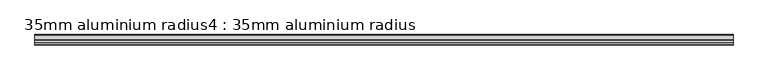
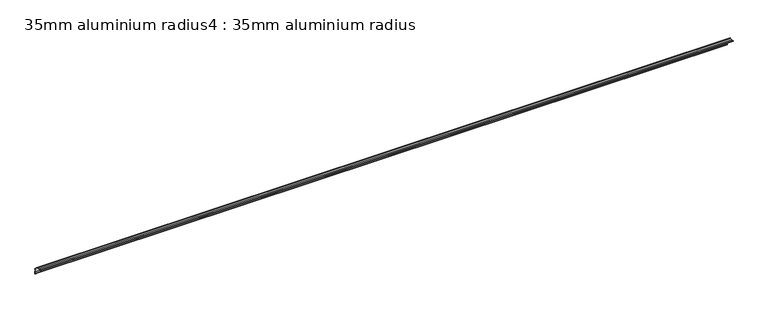
"""IFC4 building model written with IfcOpenShell, lengths in millimetres: proxy geometry, 35mm aluminium radius4 : 35mm aluminium radius."""

from ifc_helpers import new_model, si_unit, point, frame, frame_2d, origin, place, context, project, spatial, polyline, circle_curve, trimmed, segment, composite_curve, outline, extrude, source, transform, mapped, element, save


def proxy_35mm_aluminium_radius4_35mm_aluminium_radius_2c219748(model_context):
    return source(origin(), model_context, "Body", "SweptSolid", [
        extrude(outline(composite_curve([segment(trimmed(circle_curve(frame_2d((-1217.7850026, 1427.0527479)), 1.2042709), [point((-1218.5682988, 1426.1380265))], [point((-1217.5147266, 1425.8791981))], True, "CARTESIAN"), True, "CONTINUOUS"), segment(polyline([(-1217.5147266, 1425.8791981), (-1210.8064629, 1425.9291528)]), True, "CONTINUOUS"), segment(trimmed(circle_curve(frame_2d((-1210.6098746, 1399.5298847)), 26.4), [point((-1210.8064629, 1425.9291528))], [point((-1202.7974413, 1424.7474557))], False, "CARTESIAN"), True, "CONTINUOUS"), segment(polyline([(-1202.7974413, 1424.7474557), (-1202.8096633, 1426.3887139), (-1201.4097021, 1426.399139), (-1201.3938396, 1424.2690177)]), True, "CONTINUOUS"), segment(trimmed(circle_curve(frame_2d((-1210.6098746, 1399.5298847)), 26.4), [point((-1201.3938396, 1424.2690177))], [point((-1186.0107363, 1409.1133286))], False, "CARTESIAN"), True, "CONTINUOUS"), segment(polyline([(-1186.0107363, 1409.1133286), (-1183.880615, 1409.129191), (-1183.8701898, 1407.7292298), (-1185.511448, 1407.7170078)]), True, "CONTINUOUS"), segment(trimmed(circle_curve(frame_2d((-1210.6098746, 1399.5298847)), 26.4), [point((-1185.511448, 1407.7170078))], [point((-1184.2106065, 1399.726473))], False, "CARTESIAN"), True, "CONTINUOUS"), segment(polyline([(-1184.2106065, 1399.726473), (-1184.1633487, 1393.3803569)]), True, "CONTINUOUS"), segment(trimmed(circle_curve(frame_2d((-1181.3105299, 1393.207402)), 2.8580567), [point((-1184.1633487, 1393.3803569))], [point((-1183.8861617, 1391.9686085))], True, "CARTESIAN"), True, "CONTINUOUS"), segment(trimmed(circle_curve(frame_2d((-1184.2502869, 1391.6259529)), 0.5), [point((-1183.8861617, 1391.9686085))], [point((-1184.5807511, 1391.2507284))], False, "CARTESIAN"), True, "CONTINUOUS"), segment(trimmed(circle_curve(frame_2d((-1182.5639844, 1393.471686)), 3.0), [point((-1184.5807511, 1391.2507284))], [point((-1185.5639013, 1393.4493464))], False, "CARTESIAN"), True, "CONTINUOUS"), segment(polyline([(-1185.5639013, 1393.4493464), (-1185.6105677, 1399.7160479)]), True, "CONTINUOUS"), segment(trimmed(circle_curve(frame_2d((-1210.6098746, 1399.5298847)), 25.0), [point((-1185.6105677, 1399.7160479))], [point((-1210.7960377, 1424.5291916))], True, "CARTESIAN"), True, "CONTINUOUS"), segment(polyline([(-1210.7960377, 1424.5291916), (-1217.0627392, 1424.4825251)]), True, "CONTINUOUS"), segment(trimmed(circle_curve(frame_2d((-1217.0850788, 1427.482442)), 3.0), [point((-1217.0627392, 1424.4825251))], [point((-1219.2632569, 1425.4195459))], False, "CARTESIAN"), True, "CONTINUOUS"), segment(trimmed(circle_curve(frame_2d((-1218.9054936, 1425.7688387)), 0.5), [point((-1219.2632569, 1425.4195459))], [point((-1218.5682988, 1426.1380265))], False, "CARTESIAN"), True, "CONTINUOUS")], self_intersect=False)), frame((-5219.6640929, 0.0, 0.0), z_axis=(1.0, 0.0, 0.0), x_axis=(0.0, 1.0, 0.0)), (0.0, 0.0, 1.0), 2400.0),
    ])


if __name__ == "__main__":
    model = new_model("IFC4")
    model_context = context("Model", 3, world=origin())
    ifc_project = project(units=[si_unit("LENGTHUNIT", "METRE", prefix="MILLI")], contexts=[model_context])
    site = spatial("IfcSite", under=ifc_project)
    building = spatial("IfcBuilding", under=site)
    placement = place(None, origin())
    proxy_35mm_aluminium_radius4_35mm_aluminium_radius_shape = proxy_35mm_aluminium_radius4_35mm_aluminium_radius_2c219748(model_context)
    element("IfcBuildingElementProxy", 1, Name="35mm aluminium radius4 : 35mm aluminium radius", ObjectType="35mm aluminium radius4 : 35mm aluminium radius", at=placement, inside=building, context=model_context, shape_type="MappedRepresentation", body=[
        mapped(proxy_35mm_aluminium_radius4_35mm_aluminium_radius_shape, transform((0.0, 0.0, 0.0), x_axis=(1.0, 0.0, 0.0), y_axis=(0.0, 1.0, 0.0), z_axis=(0.0, 0.0, 1.0))),
    ])
    save(model, "model.ifc")
